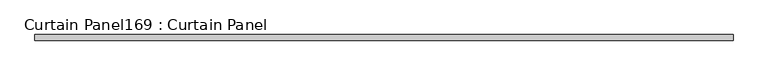
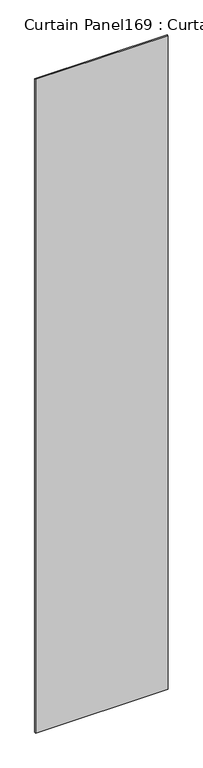
"""IFC4 building model written with IfcOpenShell, lengths in millimetres: plate geometry, Curtain Panel169 : Curtain Panel."""

from ifc_helpers import new_model, si_unit, frame, origin, place, context, project, spatial, polyline, outline, extrude, source, transform, mapped, element, save


def curtain_panel169_curtain_panel_7cb9707d(model_context):
    return source(origin(), model_context, "Body", "SweptSolid", [
        extrude(outline(polyline([(477417.1898115, 2286.3339321), (474363.7044224, 2286.3339321), (474363.7044224, 2311.7339321), (477417.1898115, 2311.7339321), (477417.1898115, 2286.3339321)])), frame((0.0, 0.0, 4959.7989371), z_axis=(0.0, 0.0, 1.0), x_axis=(1.0, 0.0, 0.0)), (0.0, 0.0, 1.0), 15896.9411728),
    ])


if __name__ == "__main__":
    model = new_model("IFC4")
    model_context = context("Model", 3, world=origin())
    ifc_project = project(units=[si_unit("LENGTHUNIT", "METRE", prefix="MILLI")], contexts=[model_context])
    site = spatial("IfcSite", under=ifc_project)
    building = spatial("IfcBuilding", under=site)
    placement = place(None, origin())
    curtain_panel169_curtain_panel_shape = curtain_panel169_curtain_panel_7cb9707d(model_context)
    element("IfcPlate", 1, ObjectType="Curtain Panel169 : Curtain Panel", at=placement, inside=building, context=model_context, shape_type="MappedRepresentation", body=[
        mapped(curtain_panel169_curtain_panel_shape, transform((0.0, 0.0, 0.0), x_axis=(1.0, 0.0, 0.0), y_axis=(0.0, 1.0, 0.0), z_axis=(0.0, 0.0, 1.0))),
    ])
    save(model, "model.ifc")
